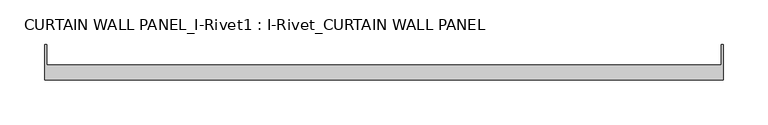
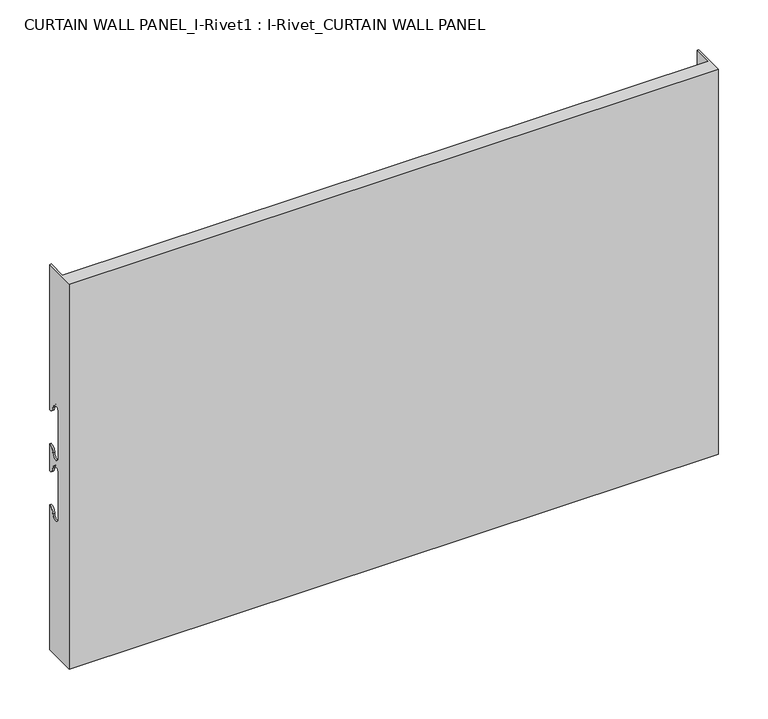
"""IFC4 building model written with IfcOpenShell, lengths in millimetres: plate geometry, CURTAIN WALL PANEL_I-Rivet1 : I-Rivet_CURTAIN WALL PANEL."""

from ifc_helpers import new_model, si_unit, frame, origin, place, context, project, spatial, polyline, circle_curve, source, transform, mapped, element, save
from ifc_brep_helpers import plane_surface, cylinder_surface, revolved_surface, advanced_brep


def curtain_wall_panel_i_rivet1_i_rivet_curtain_wall_panel_f689b361(model_context):
    return source(origin(), model_context, "Body", "AdvancedBrep", [
        advanced_brep(
        [(-378.5, -85.0, 475.0), (378.5, -85.0, 475.0), (378.5, -45.3384103, 475.0), (376.5, -45.3384103, 475.0), (376.5, -68.0, 475.0), (-376.5, -68.0, 475.0), (-376.5, -45.3384103, 475.0), (-378.5, -45.3384103, 475.0), (-378.5, -85.0, 0.0), (-378.5, -45.3384103, 0.0), (-376.5, -45.3384103, 0.0), (-376.5, -68.0, 0.0), (376.5, -68.0, 0.0), (376.5, -45.3384103, 0.0), (378.5, -45.3384103, 0.0), (378.5, -85.0, 0.0), (-378.5, -45.3384103, 296.0), (-378.5, -52.3384103, 303.0), (-378.5, -63.3384103, 303.0), (-378.5, -63.3384103, 247.0), (-378.5, -52.3384103, 247.0), (-378.5, -45.3384103, 254.0), (-378.5, -45.3384103, 221.0), (-378.5, -52.3384103, 228.0), (-378.5, -63.3384103, 228.0), (-378.5, -63.3384103, 172.0), (-378.5, -52.3384103, 172.0), (-378.5, -45.3384103, 179.0), (-376.5, -45.3384103, 179.0), (-376.5, -45.3384103, 254.0), (-376.5, -45.3384103, 221.0), (-376.5, -45.3384103, 296.0), (378.5, -45.3384103, 296.0), (376.5, -45.3384103, 296.0), (376.5, -45.3384103, 179.0), (378.5, -45.3384103, 179.0), (376.5, -45.3384103, 221.0), (376.5, -45.3384103, 254.0), (378.5, -45.3384103, 254.0), (378.5, -45.3384103, 221.0), (378.5, -52.3384103, 172.0), (378.5, -63.3384103, 172.0), (378.5, -63.3384103, 228.0), (378.5, -52.3384103, 228.0), (378.5, -52.3384103, 247.0), (378.5, -63.3384103, 247.0), (378.5, -63.3384103, 303.0), (378.5, -52.3384103, 303.0), (-376.5, -52.3384103, 172.0), (-376.5, -63.3384103, 172.0), (-376.5, -63.3384103, 228.0), (-376.5, -52.3384103, 228.0), (-376.5, -52.3384103, 247.0), (-376.5, -63.3384103, 247.0), (-376.5, -63.3384103, 303.0), (-376.5, -52.3384103, 303.0), (376.5, -52.3384103, 303.0), (376.5, -63.3384103, 303.0), (376.5, -63.3384103, 247.0), (376.5, -52.3384103, 247.0), (376.5, -52.3384103, 228.0), (376.5, -63.3384103, 228.0), (376.5, -63.3384103, 172.0), (376.5, -52.3384103, 172.0)],
        [
            (0, 1),
            (1, 2),
            (2, 3),
            (3, 4),
            (4, 5),
            (5, 6),
            (6, 7),
            (7, 0),
            (8, 9),
            (9, 10),
            (10, 11),
            (11, 12),
            (12, 13),
            (13, 14),
            (14, 15),
            (15, 8),
            (7, 16),
            (16, 17, circle_curve(frame((-378.5, -45.3384103, 303.0), z_axis=(-1.0, 0.0, 0.0), x_axis=(0.0, -1.0, 0.0)), 7.0)),
            (17, 18, circle_curve(frame((-378.5, -57.8384103, 303.0), z_axis=(1.0, 0.0, 0.0), x_axis=(0.0, -1.0, 0.0)), 5.5)),
            (18, 19),
            (19, 20, circle_curve(frame((-378.5, -57.8384103, 247.0), z_axis=(1.0, 0.0, 0.0), x_axis=(0.0, -1.0, 0.0)), 5.5)),
            (20, 21, circle_curve(frame((-378.5, -45.3384103, 247.0), z_axis=(-1.0, 0.0, 0.0), x_axis=(0.0, -1.0, 0.0)), 7.0)),
            (21, 22),
            (22, 23, circle_curve(frame((-378.5, -45.3384103, 228.0), z_axis=(-1.0, 0.0, 0.0), x_axis=(0.0, -1.0, 0.0)), 7.0)),
            (23, 24, circle_curve(frame((-378.5, -57.8384103, 228.0), z_axis=(1.0, 0.0, 0.0), x_axis=(0.0, -1.0, 0.0)), 5.5)),
            (24, 25),
            (25, 26, circle_curve(frame((-378.5, -57.8384103, 172.0), z_axis=(1.0, 0.0, 0.0), x_axis=(0.0, -1.0, 0.0)), 5.5)),
            (26, 27, circle_curve(frame((-378.5, -45.3384103, 172.0), z_axis=(-1.0, 0.0, 0.0), x_axis=(0.0, -1.0, 0.0)), 7.0)),
            (27, 9),
            (8, 0),
            (27, 28),
            (28, 10),
            (21, 29),
            (29, 30),
            (30, 22),
            (6, 31),
            (31, 16),
            (2, 32),
            (32, 33),
            (33, 3),
            (13, 34),
            (34, 35),
            (35, 14),
            (36, 37),
            (37, 38),
            (38, 39),
            (39, 36),
            (1, 15),
            (35, 40, circle_curve(frame((378.5, -45.3384103, 172.0), z_axis=(1.0, 0.0, 0.0), x_axis=(0.0, -1.0, 0.0)), 7.0)),
            (40, 41, circle_curve(frame((378.5, -57.8384103, 172.0), z_axis=(-1.0, 0.0, 0.0), x_axis=(0.0, -1.0, 0.0)), 5.5)),
            (41, 42),
            (42, 43, circle_curve(frame((378.5, -57.8384103, 228.0), z_axis=(-1.0, 0.0, 0.0), x_axis=(0.0, -1.0, 0.0)), 5.5)),
            (43, 39, circle_curve(frame((378.5, -45.3384103, 228.0), z_axis=(1.0, 0.0, 0.0), x_axis=(0.0, -1.0, 0.0)), 7.0)),
            (38, 44, circle_curve(frame((378.5, -45.3384103, 247.0), z_axis=(1.0, 0.0, 0.0), x_axis=(0.0, -1.0, 0.0)), 7.0)),
            (44, 45, circle_curve(frame((378.5, -57.8384103, 247.0), z_axis=(-1.0, 0.0, 0.0), x_axis=(0.0, -1.0, 0.0)), 5.5)),
            (45, 46),
            (46, 47, circle_curve(frame((378.5, -57.8384103, 303.0), z_axis=(-1.0, 0.0, 0.0), x_axis=(0.0, -1.0, 0.0)), 5.5)),
            (47, 32, circle_curve(frame((378.5, -45.3384103, 303.0), z_axis=(1.0, 0.0, 0.0), x_axis=(0.0, -1.0, 0.0)), 7.0)),
            (5, 11),
            (28, 48, circle_curve(frame((-376.5, -45.3384103, 172.0), z_axis=(1.0, 0.0, 0.0), x_axis=(0.0, -1.0, 0.0)), 7.0)),
            (48, 49, circle_curve(frame((-376.5, -57.8384103, 172.0), z_axis=(-1.0, 0.0, 0.0), x_axis=(0.0, -1.0, 0.0)), 5.5)),
            (49, 50),
            (50, 51, circle_curve(frame((-376.5, -57.8384103, 228.0), z_axis=(-1.0, 0.0, 0.0), x_axis=(0.0, -1.0, 0.0)), 5.5)),
            (51, 30, circle_curve(frame((-376.5, -45.3384103, 228.0), z_axis=(1.0, 0.0, 0.0), x_axis=(0.0, -1.0, 0.0)), 7.0)),
            (29, 52, circle_curve(frame((-376.5, -45.3384103, 247.0), z_axis=(1.0, 0.0, 0.0), x_axis=(0.0, -1.0, 0.0)), 7.0)),
            (52, 53, circle_curve(frame((-376.5, -57.8384103, 247.0), z_axis=(-1.0, 0.0, 0.0), x_axis=(0.0, -1.0, 0.0)), 5.5)),
            (53, 54),
            (54, 55, circle_curve(frame((-376.5, -57.8384103, 303.0), z_axis=(-1.0, 0.0, 0.0), x_axis=(0.0, -1.0, 0.0)), 5.5)),
            (55, 31, circle_curve(frame((-376.5, -45.3384103, 303.0), z_axis=(1.0, 0.0, 0.0), x_axis=(0.0, -1.0, 0.0)), 7.0)),
            (33, 56, circle_curve(frame((376.5, -45.3384103, 303.0), z_axis=(-1.0, 0.0, 0.0), x_axis=(0.0, -1.0, 0.0)), 7.0)),
            (56, 57, circle_curve(frame((376.5, -57.8384103, 303.0), z_axis=(1.0, 0.0, 0.0), x_axis=(0.0, -1.0, 0.0)), 5.5)),
            (57, 58),
            (58, 59, circle_curve(frame((376.5, -57.8384103, 247.0), z_axis=(1.0, 0.0, 0.0), x_axis=(0.0, -1.0, 0.0)), 5.5)),
            (59, 37, circle_curve(frame((376.5, -45.3384103, 247.0), z_axis=(-1.0, 0.0, 0.0), x_axis=(0.0, -1.0, 0.0)), 7.0)),
            (36, 60, circle_curve(frame((376.5, -45.3384103, 228.0), z_axis=(-1.0, 0.0, 0.0), x_axis=(0.0, -1.0, 0.0)), 7.0)),
            (60, 61, circle_curve(frame((376.5, -57.8384103, 228.0), z_axis=(1.0, 0.0, 0.0), x_axis=(0.0, -1.0, 0.0)), 5.5)),
            (61, 62),
            (62, 63, circle_curve(frame((376.5, -57.8384103, 172.0), z_axis=(1.0, 0.0, 0.0), x_axis=(0.0, -1.0, 0.0)), 5.5)),
            (63, 34, circle_curve(frame((376.5, -45.3384103, 172.0), z_axis=(-1.0, 0.0, 0.0), x_axis=(0.0, -1.0, 0.0)), 7.0)),
            (12, 4),
            (41, 62),
            (61, 42),
            (49, 25),
            (24, 50),
            (40, 63),
            (48, 26),
            (51, 23),
            (43, 60),
            (18, 54),
            (53, 19),
            (57, 46),
            (45, 58),
            (17, 55),
            (56, 47),
            (59, 44),
            (20, 52),
        ],
        [
            plane_surface(frame((-378.5, -45.3384103, 475.0), z_axis=(0.0, 0.0, 1.0), x_axis=(0.0, 1.0, 0.0))),
            plane_surface(frame((-378.5, -45.3384103, 0.0), z_axis=(0.0, 0.0, -1.0), x_axis=(0.0, -1.0, 0.0))),
            plane_surface(frame((-378.5, -85.0, 475.0), z_axis=(-1.0, 0.0, 0.0), x_axis=(0.0, 0.0, -1.0))),
            plane_surface(frame((-378.5, -45.3384103, 475.0), z_axis=(0.0, 1.0, 0.0), x_axis=(0.0, 0.0, -1.0))),
            plane_surface(frame((376.5, -45.3384103, 475.0), z_axis=(0.0, 1.0, 0.0), x_axis=(0.0, 0.0, -1.0))),
            plane_surface(frame((378.5, -45.3384103, 475.0), z_axis=(1.0, 0.0, 0.0), x_axis=(0.0, 0.0, -1.0))),
            plane_surface(frame((378.5, -85.0, 475.0), z_axis=(0.0, -1.0, 0.0), x_axis=(0.0, 0.0, -1.0))),
            plane_surface(frame((-376.5, -45.3384103, 475.0), z_axis=(1.0, 0.0, 0.0), x_axis=(0.0, 0.0, -1.0))),
            plane_surface(frame((376.5, -68.0, 475.0), z_axis=(-1.0, 0.0, 0.0), x_axis=(0.0, 0.0, -1.0))),
            plane_surface(frame((-377.5, -68.0, 475.0), z_axis=(0.0, 1.0, 0.0), x_axis=(0.0, 0.0, -1.0))),
            plane_surface(frame((-378.5, -63.3384103, 228.0), z_axis=(0.0, 1.0, 0.0), x_axis=(1.0, 0.0, 0.0))),
            revolved_surface(polyline([(376.5, -63.3384103, 172.0), (378.5, -63.3384103, 172.0)]), (-378.5, -57.8384103, 172.0), (-1.0, 0.0, 0.0)),
            revolved_surface(polyline([(-378.5, -63.3384103, 172.0), (-376.5, -63.3384103, 172.0)]), (-378.5, -57.8384103, 172.0), (-1.0, 0.0, 0.0)),
            cylinder_surface(frame((-378.5, -45.3384103, 172.0), z_axis=(1.0, 0.0, 0.0), x_axis=(0.0, -1.0, 0.0)), 7.0),
            cylinder_surface(frame((-378.5, -45.3384103, 228.0), z_axis=(1.0, 0.0, 0.0), x_axis=(0.0, -1.0, 0.0)), 7.0),
            revolved_surface(polyline([(-378.5, -63.3384103, 228.0), (-376.5, -63.3384103, 228.0)]), (-378.5, -57.8384103, 228.0), (-1.0, 0.0, 0.0)),
            revolved_surface(polyline([(376.5, -63.3384103, 228.0), (378.5, -63.3384103, 228.0)]), (-378.5, -57.8384103, 228.0), (-1.0, 0.0, 0.0)),
            plane_surface(frame((378.5, -63.3384103, 247.0), z_axis=(0.0, 1.0, 0.0), x_axis=(-1.0, 0.0, 0.0))),
            revolved_surface(polyline([(-376.5, -63.3384103, 303.0), (-378.5, -63.3384103, 303.0)]), (378.5, -57.8384103, 303.0), (1.0, 0.0, 0.0)),
            revolved_surface(polyline([(378.5, -63.3384103, 303.0), (376.5, -63.3384103, 303.0)]), (378.5, -57.8384103, 303.0), (1.0, 0.0, 0.0)),
            cylinder_surface(frame((378.5, -45.3384103, 303.0), z_axis=(-1.0, 0.0, 0.0), x_axis=(0.0, -1.0, 0.0)), 7.0),
            cylinder_surface(frame((378.5, -45.3384103, 247.0), z_axis=(-1.0, 0.0, 0.0), x_axis=(0.0, -1.0, 0.0)), 7.0),
            revolved_surface(polyline([(378.5, -63.3384103, 247.0), (376.5, -63.3384103, 247.0)]), (378.5, -57.8384103, 247.0), (1.0, 0.0, 0.0)),
            revolved_surface(polyline([(-376.5, -63.3384103, 247.0), (-378.5, -63.3384103, 247.0)]), (378.5, -57.8384103, 247.0), (1.0, 0.0, 0.0)),
        ],
        [
            (0, [[1, 2, 3, 4, 5, 6, 7, 8]]),
            (1, [[9, 10, 11, 12, 13, 14, 15, 16]]),
            (2, [[17, 18, 19, 20, 21, 22, 23, 24, 25, 26, 27, 28, 29, -9, 30, -8]]),
            (3, [[-29, 31, 32, -10]]),
            (3, [[-23, 33, 34, 35]]),
            (3, [[36, 37, -17, -7]]),
            (4, [[38, 39, 40, -3]]),
            (4, [[41, 42, 43, -14]]),
            (4, [[44, 45, 46, 47]]),
            (5, [[48, -15, -43, 49, 50, 51, 52, 53, -46, 54, 55, 56, 57, 58, -38, -2]]),
            (6, [[-30, -16, -48, -1]]),
            (7, [[59, -11, -32, 60, 61, 62, 63, 64, -34, 65, 66, 67, 68, 69, -36, -6]]),
            (8, [[-40, 70, 71, 72, 73, 74, -44, 75, 76, 77, 78, 79, -41, -13, 80, -4]]),
            (9, [[-80, -12, -59, -5]]),
            (10, [[-51, 81, -77, 82]]),
            (10, [[-62, 83, -26, 84]]),
            (11, [[-50, 85, -78, -81]]),
            (12, [[-61, 86, -27, -83]]),
            (13, [[-49, -42, -79, -85]]),
            (13, [[-60, -31, -28, -86]]),
            (14, [[-24, -35, -64, 87]]),
            (14, [[-75, -47, -53, 88]]),
            (15, [[-25, -87, -63, -84]]),
            (16, [[-76, -88, -52, -82]]),
            (17, [[-20, 89, -67, 90]]),
            (17, [[-72, 91, -56, 92]]),
            (18, [[-19, 93, -68, -89]]),
            (19, [[-71, 94, -57, -91]]),
            (20, [[-18, -37, -69, -93]]),
            (20, [[-70, -39, -58, -94]]),
            (21, [[-54, -45, -74, 95]]),
            (21, [[-65, -33, -22, 96]]),
            (22, [[-55, -95, -73, -92]]),
            (23, [[-66, -96, -21, -90]]),
        ],
    ),
    ])


if __name__ == "__main__":
    model = new_model("IFC4")
    model_context = context("Model", 3, world=origin())
    ifc_project = project(units=[si_unit("LENGTHUNIT", "METRE", prefix="MILLI")], contexts=[model_context])
    site = spatial("IfcSite", under=ifc_project)
    building = spatial("IfcBuilding", under=site)
    placement = place(None, origin())
    curtain_wall_panel_i_rivet1_i_rivet_curtain_wall_panel_shape = curtain_wall_panel_i_rivet1_i_rivet_curtain_wall_panel_f689b361(model_context)
    element("IfcPlate", 1, ObjectType="CURTAIN WALL PANEL_I-Rivet1 : I-Rivet_CURTAIN WALL PANEL", at=placement, inside=building, context=model_context, shape_type="MappedRepresentation", body=[
        mapped(curtain_wall_panel_i_rivet1_i_rivet_curtain_wall_panel_shape, transform((0.0, 0.0, 0.0), x_axis=(1.0, 0.0, 0.0), y_axis=(0.0, 1.0, 0.0), z_axis=(0.0, 0.0, 1.0))),
    ])
    save(model, "model.ifc")
